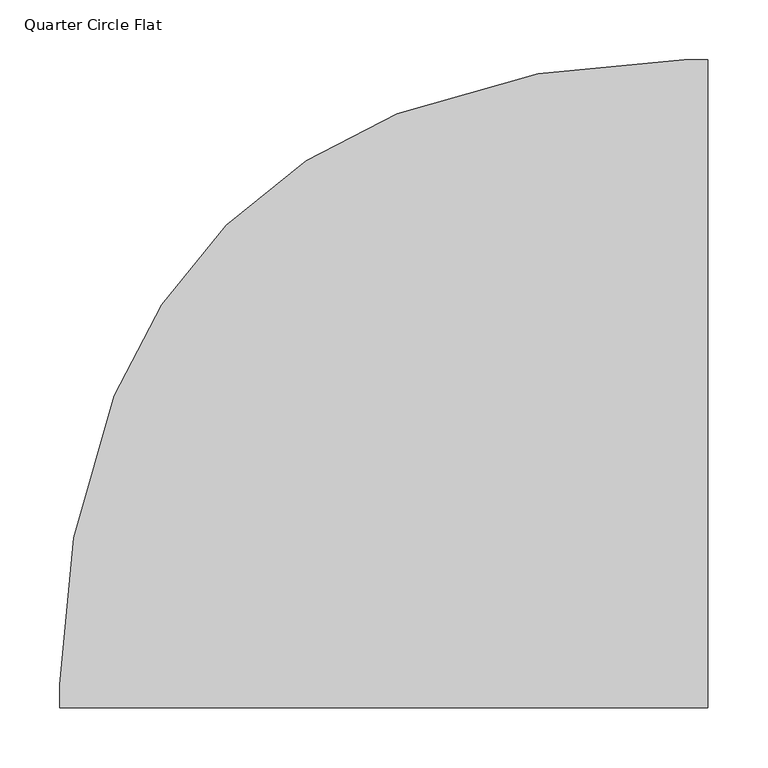
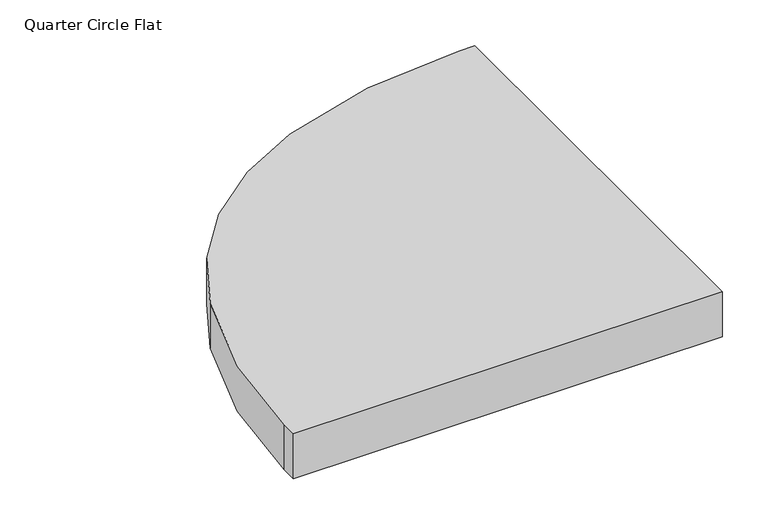
"""IFC4 building model written with IfcOpenShell, lengths in millimetres: furniture geometry, Quarter Circle Flat."""

from ifc_helpers import new_model, si_unit, point, frame, frame_2d, origin, place, context, project, spatial, polyline, circle_curve, trimmed, segment, composite_curve, outline, extrude, source, transform, mapped, element, save


def quarter_circle_flat_a6f32417(model_context):
    return source(origin(), model_context, "Body", "SweptSolid", [
        extrude(outline(composite_curve([segment(polyline([(-270.0, -270.0), (-270.0, -250.4648146)]), True, "CONTINUOUS"), segment(trimmed(circle_curve(frame_2d((389.9652032, -250.4648146)), 659.9652032), [point((-270.0, -250.4648146))], [point((-224.6331882, -10.0009155))], False, "CARTESIAN"), True, "CONTINUOUS"), segment(trimmed(circle_curve(frame_2d((161.1742529, -160.9495071)), 414.2859628), [point((-224.6331882, -10.0009155))], [point((11.197914, 225.2369203))], False, "CARTESIAN"), True, "CONTINUOUS"), segment(trimmed(circle_curve(frame_2d((250.1129966, -389.9652032)), 659.9652032), [point((11.197914, 225.2369203))], [point((250.1129966, 270.0))], False, "CARTESIAN"), True, "CONTINUOUS"), segment(polyline([(250.1129966, 270.0), (270.0, 270.0), (270.0, -270.0), (-270.0, -270.0)]), True, "CONTINUOUS")], self_intersect=False)), frame((0.0, 0.0, 2100.0), z_axis=(0.0, 0.0, 1.0), x_axis=(1.0, 0.0, 0.0)), (0.0, 0.0, 1.0), 60.0),
    ])


if __name__ == "__main__":
    model = new_model("IFC4")
    model_context = context("Model", 3, world=origin())
    ifc_project = project(units=[si_unit("LENGTHUNIT", "METRE", prefix="MILLI")], contexts=[model_context])
    site = spatial("IfcSite", under=ifc_project)
    building = spatial("IfcBuilding", under=site)
    placement = place(None, origin())
    quarter_circle_flat_shape = quarter_circle_flat_a6f32417(model_context)
    element("IfcFurniture", 1, ObjectType="Quarter Circle Flat", at=placement, inside=building, context=model_context, shape_type="MappedRepresentation", body=[
        mapped(quarter_circle_flat_shape, transform((0.0, 0.0, 0.0), x_axis=(1.0, 0.0, 0.0), y_axis=(0.0, 1.0, 0.0), z_axis=(0.0, 0.0, 1.0))),
    ])
    save(model, "model.ifc")
